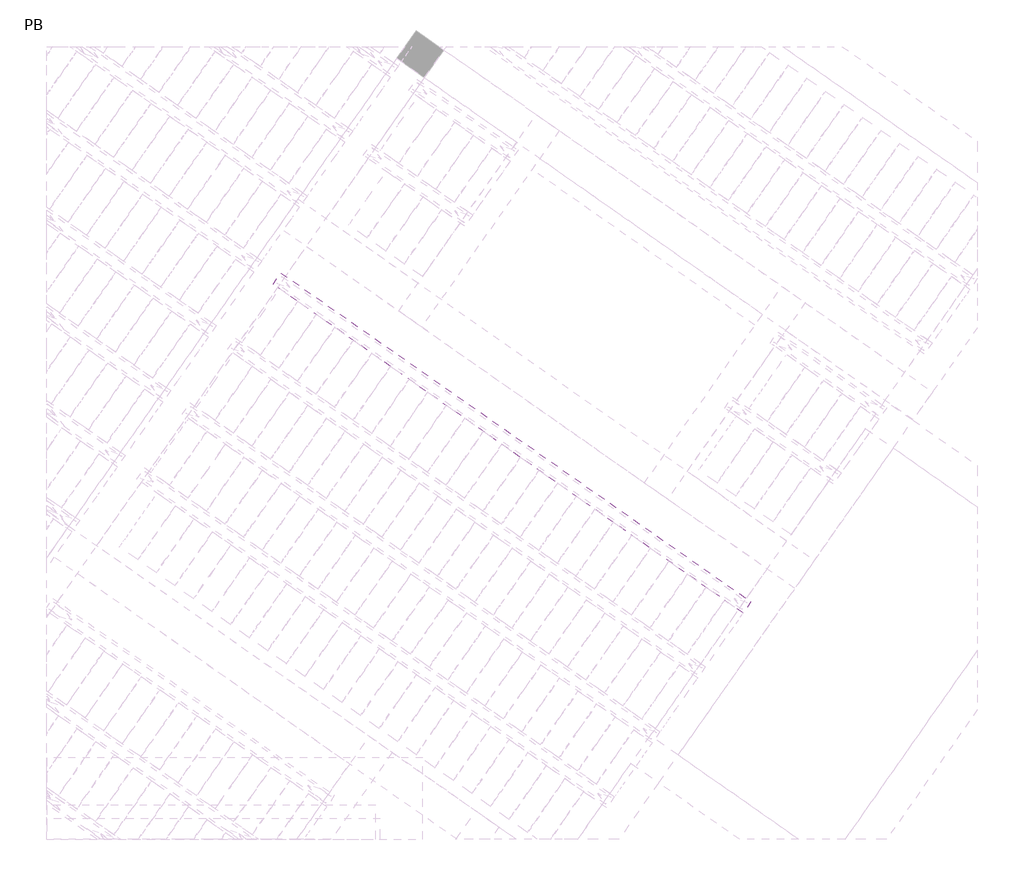
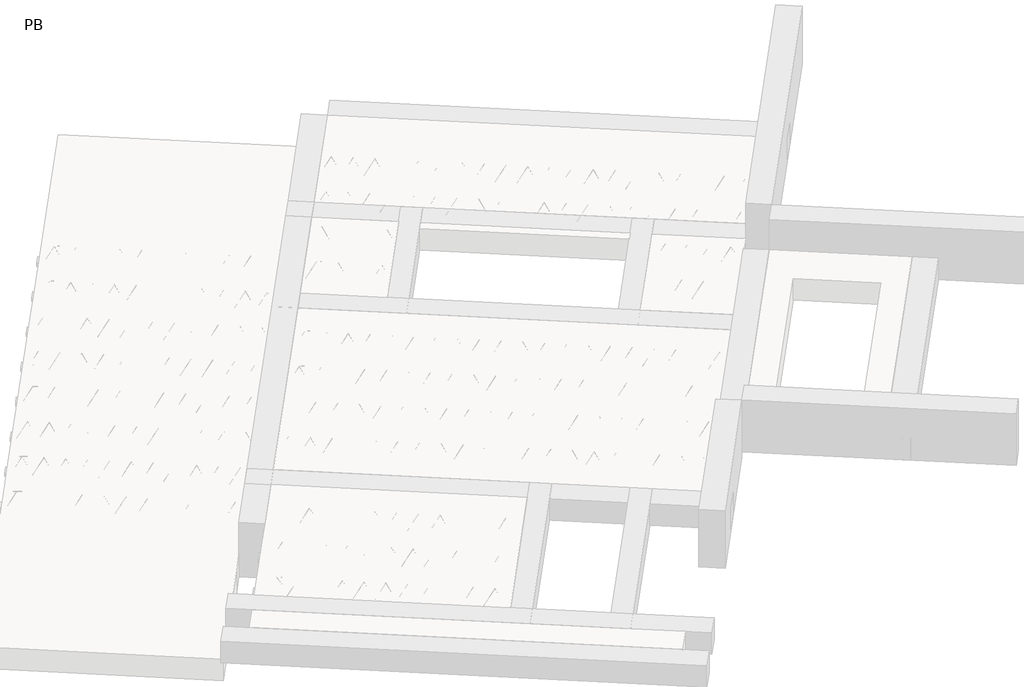
# One storey, part 38 of 56: 1 beam.
"""IFC4 building model written with IfcOpenShell, lengths in millimetres."""

import ifcopenshell
import ifcopenshell.guid

model = None  # the IFC model being written
_history = None  # IfcOwnerHistory: only IFC2X3 demands one
_inside = {}  # id of a spatial element -> (the spatial element, [elements in it])
_under = {}  # id of a project, library or spatial element -> (it, [spatial elements below it])
_declared = {}  # id of a project -> (the project, [libraries it declares])
_typed = {}  # id of a type object -> (the type object, [elements of that type])
_made_of = {}  # id of a material, layer set ... -> (it, [elements and type objects made of it])


def new_model(schema):
    """Start an empty IFC model of exactly this schema.

    Asked for "IFC4X3", IfcOpenShell would pick the latest addendum, in which some entities
    have other attributes; the version numbers below select the first issue.
    IFC2X3 requires an IfcOwnerHistory on every rooted entity: one is made here for all.
    """
    global model, _history
    if schema == "IFC4X3":
        model = ifcopenshell.file(schema_version=(4, 3, 0, 0))
    else:
        model = ifcopenshell.file(schema=schema)
    _inside.clear()
    _under.clear()
    _declared.clear()
    _typed.clear()
    _made_of.clear()
    _history = None
    if model.schema == "IFC2X3":
        org = make("IfcOrganization", Name="unknown")
        user = make(
            "IfcPersonAndOrganization",
            ThePerson=make("IfcPerson", FamilyName="unknown"),
            TheOrganization=org,
        )
        app = make(
            "IfcApplication",
            ApplicationDeveloper=org,
            Version="unknown",
            ApplicationFullName="unknown",
            ApplicationIdentifier="unknown",
        )
        _history = make(
            "IfcOwnerHistory",
            OwningUser=user,
            OwningApplication=app,
            ChangeAction="ADDED",
            CreationDate=0,
        )
    return model


def make(cls, **values):
    """One entity of the class cls with the attributes given. An attribute that is None is left unset."""
    return model.create_entity(
        cls, **{name: value for name, value in values.items() if value is not None}
    )


def rooted(cls, **values):
    """An entity with a GlobalId (a new one), such as an element, a storey or a relation."""
    return make(cls, GlobalId=ifcopenshell.guid.new(), OwnerHistory=_history, **values)


def si_unit(unit_type, name, prefix=None):
    """IfcSIUnit, for example si_unit("LENGTHUNIT", "METRE", prefix="MILLI")."""
    return make("IfcSIUnit", UnitType=unit_type, Prefix=prefix, Name=name)


def assignment(units):
    """IfcUnitAssignment: the units of a project."""
    return None if units is None else make("IfcUnitAssignment", Units=units)


def point(xyz):
    """IfcCartesianPoint."""
    return None if xyz is None else make("IfcCartesianPoint", Coordinates=xyz)


def direction(xyz):
    """IfcDirection."""
    return None if xyz is None else make("IfcDirection", DirectionRatios=xyz)


def frame(location, z_axis=None, x_axis=None):
    """IfcAxis2Placement3D, a coordinate frame: its origin and axes. An axis left out is left unset."""
    return make(
        "IfcAxis2Placement3D",
        Location=point(location),
        Axis=direction(z_axis),
        RefDirection=direction(x_axis),
    )


def frame_2d(location, x_axis=None):
    """IfcAxis2Placement2D, a coordinate frame in the plane: its origin and x axis."""
    return make(
        "IfcAxis2Placement2D", Location=point(location), RefDirection=direction(x_axis)
    )


def origin():
    """The frame at (0, 0, 0) with its axes left unset."""
    return frame((0.0, 0.0, 0.0))


def origin_2d():
    """The frame at (0, 0) in the plane with its x axis left unset."""
    return frame_2d((0.0, 0.0))


def place(relative_to, where):
    """IfcLocalPlacement: puts the frame where relative to a parent placement (None: the world)."""
    return make(
        "IfcLocalPlacement", PlacementRelTo=relative_to, RelativePlacement=where
    )


def context(
    kind, dimensions, precision=None, world=None, true_north=None, identifier=None
):
    """IfcGeometricRepresentationContext, for example the 3D "Model" context."""
    return make(
        "IfcGeometricRepresentationContext",
        ContextIdentifier=identifier,
        ContextType=kind,
        CoordinateSpaceDimension=dimensions,
        Precision=precision,
        WorldCoordinateSystem=world,
        TrueNorth=true_north,
    )


def project(units=None, contexts=None):
    """IfcProject with its units and contexts."""
    return rooted(
        "IfcProject",
        Name="project",
        RepresentationContexts=contexts,
        UnitsInContext=assignment(units),
    )


def spatial(cls, under=None, at=None, **own):
    """A site, building, storey or space (cls), placed at a placement, below another one or the project."""
    s = rooted(cls, ObjectPlacement=at, **own)
    if under is not None:
        _under.setdefault(under.id(), (under, []))[1].append(s)
    return s


def polyline(points):
    """IfcPolyline through the points."""
    return make("IfcPolyline", Points=[point(p) for p in points])


def circle_curve(where, radius):
    """IfcCircle in the frame where."""
    return make("IfcCircle", Position=where, Radius=radius)


def trimmed(basis, trim1, trim2, sense, master):
    """IfcTrimmedCurve: the piece of a basis curve between two trims."""
    return make(
        "IfcTrimmedCurve",
        BasisCurve=basis,
        Trim1=trim1,
        Trim2=trim2,
        SenseAgreement=sense,
        MasterRepresentation=master,
    )


def segment(curve, same_sense, transition):
    """IfcCompositeCurveSegment."""
    return make(
        "IfcCompositeCurveSegment",
        Transition=transition,
        SameSense=same_sense,
        ParentCurve=curve,
    )


def composite_curve(segments, self_intersect=None):
    """IfcCompositeCurve: segments joined end to end."""
    return make("IfcCompositeCurve", Segments=segments, SelfIntersect=self_intersect)


def outline(outer, holes=None, kind="AREA"):
    """IfcArbitraryClosedProfileDef: a profile drawn as a closed curve; with holes, ...WithVoids."""
    if holes is None:
        return make("IfcArbitraryClosedProfileDef", ProfileType=kind, OuterCurve=outer)
    return make(
        "IfcArbitraryProfileDefWithVoids",
        ProfileType=kind,
        OuterCurve=outer,
        InnerCurves=holes,
    )


def extrude(swept, where, along, depth):
    """IfcExtrudedAreaSolid: the profile swept, set in the frame where, extruded along a direction by depth."""
    return make(
        "IfcExtrudedAreaSolid",
        SweptArea=swept,
        Position=where,
        ExtrudedDirection=direction(along),
        Depth=depth,
    )


def shape(context_of_items, identifier, shape_type, items):
    """IfcShapeRepresentation: the items that make up one representation, for example the "Body"."""
    return make(
        "IfcShapeRepresentation",
        ContextOfItems=context_of_items,
        RepresentationIdentifier=identifier,
        RepresentationType=shape_type,
        Items=items,
    )


def made_of(thing, what):
    """Note that an element or type object is made of a material, layer set ...; save() writes the relation."""
    if what is not None:
        _made_of.setdefault(what.id(), (what, []))[1].append(thing)
    return thing


def element(
    cls,
    number,
    at=None,
    inside=None,
    cuts=None,
    type_object=None,
    material=None,
    context=None,
    identifier="Body",
    shape_type=None,
    held_by="IfcProductDefinitionShape",
    body=None,
    shapes=None,
    **own,
):
    """One element of the class cls, such as IfcWall. Its Tag is "e" and its number.

    at: its placement. inside: the storey or other place that contains it. cuts: it is an
    opening in that element (IfcRelVoidsElement). A single representation is given by context,
    identifier, shape_type and body (its items); several are given by shapes. held_by: the class
    of the entity that holds the representations. save() writes the other relations.
    """
    e = rooted(cls, Tag="e%d" % number, ObjectPlacement=at, **own)
    if body is not None:
        shapes = [shape(context, identifier, shape_type, body)]
    if shapes is not None:
        e.Representation = make(held_by, Representations=shapes)
    if inside is not None:
        _inside.setdefault(inside.id(), (inside, []))[1].append(e)
    if cuts is not None:
        rooted(
            "IfcRelVoidsElement", RelatingBuildingElement=cuts, RelatedOpeningElement=e
        )
    if type_object is not None:
        _typed.setdefault(type_object.id(), (type_object, []))[1].append(e)
    return made_of(e, material)


def aggregate(whole, parts):
    """IfcRelAggregates: a whole, such as a stair, and the parts it consists of."""
    return rooted("IfcRelAggregates", RelatingObject=whole, RelatedObjects=parts)


def save(model, path):
    """Write the relations noted so far, then the file.

    IfcRelAggregates (storeys below a building ...), IfcRelContainedInSpatialStructure (elements
    in a storey), IfcRelDefinesByType, IfcRelAssociatesMaterial and IfcRelDeclares: one each for
    every whole, place, type object, material and project.
    """
    for whole, parts in _under.values():
        aggregate(whole, parts)
    for where, things in _inside.values():
        rooted(
            "IfcRelContainedInSpatialStructure",
            RelatedElements=things,
            RelatingStructure=where,
        )
    for kind, things in _typed.values():
        rooted("IfcRelDefinesByType", RelatedObjects=things, RelatingType=kind)
    for what, things in _made_of.values():
        rooted("IfcRelAssociatesMaterial", RelatedObjects=things, RelatingMaterial=what)
    for by, libraries in _declared.values():
        rooted("IfcRelDeclares", RelatingContext=by, RelatedDefinitions=libraries)
    model.write(path)


model = new_model("IFC4")

# Units and contexts
model_context = context("Model", 3, world=origin())
ifc_project = project(units=[si_unit("LENGTHUNIT", "METRE", prefix="MILLI")], contexts=[model_context])

# Site, building, storey
site = spatial("IfcSite", under=ifc_project)
building = spatial("IfcBuilding", under=site)
storey = spatial("IfcBuildingStorey", under=building, Name="PB", Elevation=95940.0)

# Beam
placement = place(None, origin())
element("IfcBeam", 1, at=placement, inside=storey, context=model_context, shape_type="SweptSolid", body=[
    extrude(outline(polyline([(4529.9896109, 5495.9112117), (4598.8187833, 5594.2094571), (8748.2777264, 2688.7270254), (8679.4485541, 2590.4287801), (4529.9896109, 5495.9112117)])), frame((0.0, 0.0, 99220.0), z_axis=(0.0, 0.0, 1.0), x_axis=(1.0, 0.0, 0.0)), (0.0, 0.0, 1.0), 50.0),
    extrude(outline(composite_curve([segment(trimmed(circle_curve(origin_2d(), 2.5), [point((-2.5, 0.0))], [point((2.5, 0.0))], False, "CARTESIAN"), True, "CONTINUOUS"), segment(trimmed(circle_curve(origin_2d(), 2.5), [point((2.5, 0.0))], [point((-2.5, 0.0))], False, "CARTESIAN"), True, "CONTINUOUS")], self_intersect=False)), frame((8673.5547395, 2623.8542636, 99245.0), z_axis=(-0.8191520442696126, 0.5735764363787226, 0.0), x_axis=(0.5735764363787226, 0.8191520442696126, 0.0)), (0.0, 0.0, 1.0), 5017.554035),
    extrude(outline(composite_curve([segment(trimmed(circle_curve(origin_2d(), 2.5), [point((-2.4999999, 0.0))], [point((2.5, 0.0))], False, "CARTESIAN"), True, "CONTINUOUS"), segment(trimmed(circle_curve(origin_2d(), 2.5), [point((2.5, 0.0))], [point((-2.4999999, 0.0))], False, "CARTESIAN"), True, "CONTINUOUS")], self_intersect=False)), frame((8625.5773761, 2701.3962603, 99470.0), z_axis=(-0.8191520442696126, 0.5735764363787226, 0.0), x_axis=(0.5735764363787226, 0.8191520442696126, 0.0)), (0.0, 0.0, 1.0), 4850.0),
    extrude(outline(composite_curve([segment(trimmed(circle_curve(origin_2d(), 2.5), [point((-2.5000001, 0.0))], [point((2.5, 0.0))], False, "CARTESIAN"), True, "CONTINUOUS"), segment(trimmed(circle_curve(origin_2d(), 2.5), [point((2.5, 0.0))], [point((-2.5000001, 0.0))], False, "CARTESIAN"), True, "CONTINUOUS")], self_intersect=False)), frame((8666.3650278, 2628.888554, 99245.0), z_axis=(-0.3145304735701046, 0.38933448886848654, 0.8657304643902053), x_axis=(0.7778747638402499, 0.6284193279813057, 0.0)), (0.0, 0.0, 1.0), 259.8961331),
    extrude(outline(composite_curve([segment(trimmed(circle_curve(origin_2d(), 2.5), [point((2.5000001, 0.0))], [point((-2.5, 0.0))], False, "CARTESIAN"), True, "CONTINUOUS"), segment(trimmed(circle_curve(origin_2d(), 2.5), [point((-2.5, 0.0))], [point((2.5000001, 0.0))], False, "CARTESIAN"), True, "CONTINUOUS")], self_intersect=False)), frame((8461.5770167, 2772.2826631, 99245.0), z_axis=(0.47343050384693375, -0.16240172737369005, 0.8657304643902051), x_axis=(-0.3244721671091268, -0.9458952440791246, 0.0)), (0.0, 0.0, 1.0), 259.8961331),
    extrude(outline(composite_curve([segment(trimmed(circle_curve(origin_2d(), 2.5), [point((-2.5, -1e-07))], [point((2.5, 0.0))], False, "CARTESIAN"), True, "CONTINUOUS"), segment(trimmed(circle_curve(origin_2d(), 2.5), [point((2.5, 0.0))], [point((-2.5, -1e-07))], False, "CARTESIAN"), True, "CONTINUOUS")], self_intersect=False)), frame((8461.5770167, 2772.2826631, 99245.0), z_axis=(-0.3145304735701046, 0.38933448886848654, 0.8657304643902053), x_axis=(0.7778747638402499, 0.6284193279813057, 0.0)), (0.0, 0.0, 1.0), 259.8961331),
    extrude(outline(composite_curve([segment(trimmed(circle_curve(origin_2d(), 2.5), [point((2.5000001, 0.0))], [point((-2.5, 0.0))], False, "CARTESIAN"), True, "CONTINUOUS"), segment(trimmed(circle_curve(origin_2d(), 2.5), [point((-2.5, 0.0))], [point((2.5000001, 0.0))], False, "CARTESIAN"), True, "CONTINUOUS")], self_intersect=False)), frame((8256.7890056, 2915.6767722, 99245.0), z_axis=(0.47343050384693375, -0.16240172737369005, 0.8657304643902051), x_axis=(-0.3244721671091268, -0.9458952440791246, 0.0)), (0.0, 0.0, 1.0), 259.8961331),
    extrude(outline(composite_curve([segment(trimmed(circle_curve(origin_2d(), 2.5), [point((-2.5, -1e-07))], [point((2.5, 0.0))], False, "CARTESIAN"), True, "CONTINUOUS"), segment(trimmed(circle_curve(origin_2d(), 2.5), [point((2.5, 0.0))], [point((-2.5, -1e-07))], False, "CARTESIAN"), True, "CONTINUOUS")], self_intersect=False)), frame((8256.7890056, 2915.6767722, 99245.0), z_axis=(-0.3145304735701046, 0.38933448886848654, 0.8657304643902053), x_axis=(0.7778747638402499, 0.6284193279813057, 0.0)), (0.0, 0.0, 1.0), 259.8961331),
    extrude(outline(composite_curve([segment(trimmed(circle_curve(origin_2d(), 2.5), [point((2.5, 0.0))], [point((-2.5000001, 0.0))], False, "CARTESIAN"), True, "CONTINUOUS"), segment(trimmed(circle_curve(origin_2d(), 2.5), [point((-2.5000001, 0.0))], [point((2.5, 0.0))], False, "CARTESIAN"), True, "CONTINUOUS")], self_intersect=False)), frame((8052.0009945, 3059.0708812, 99245.0), z_axis=(0.47343050384693375, -0.16240172737369005, 0.8657304643902051), x_axis=(-0.3244721671091268, -0.9458952440791246, 0.0)), (0.0, 0.0, 1.0), 259.8961331),
    extrude(outline(composite_curve([segment(trimmed(circle_curve(origin_2d(), 2.5), [point((-2.5, 0.0))], [point((2.5, 1e-07))], False, "CARTESIAN"), True, "CONTINUOUS"), segment(trimmed(circle_curve(origin_2d(), 2.5), [point((2.5, 1e-07))], [point((-2.5, 0.0))], False, "CARTESIAN"), True, "CONTINUOUS")], self_intersect=False)), frame((8052.0009945, 3059.0708812, 99245.0), z_axis=(-0.3145304735701046, 0.38933448886848654, 0.8657304643902053), x_axis=(0.7778747638402499, 0.6284193279813057, 0.0)), (0.0, 0.0, 1.0), 259.8961331),
    extrude(outline(composite_curve([segment(trimmed(circle_curve(origin_2d(), 2.5), [point((2.5, -1e-07))], [point((-2.5000001, 0.0))], False, "CARTESIAN"), True, "CONTINUOUS"), segment(trimmed(circle_curve(origin_2d(), 2.5), [point((-2.5000001, 0.0))], [point((2.5, -1e-07))], False, "CARTESIAN"), True, "CONTINUOUS")], self_intersect=False)), frame((7847.2129835, 3202.4649903, 99245.0), z_axis=(0.47343050384693375, -0.16240172737369005, 0.8657304643902051), x_axis=(-0.3244721671091268, -0.9458952440791246, 0.0)), (0.0, 0.0, 1.0), 259.8961331),
    extrude(outline(composite_curve([segment(trimmed(circle_curve(origin_2d(), 2.5), [point((-2.5, 0.0))], [point((2.5, 0.0))], False, "CARTESIAN"), True, "CONTINUOUS"), segment(trimmed(circle_curve(origin_2d(), 2.5), [point((2.5, 0.0))], [point((-2.5, 0.0))], False, "CARTESIAN"), True, "CONTINUOUS")], self_intersect=False)), frame((7847.2129838, 3202.4649901, 99245.0), z_axis=(-0.3145304735701046, 0.38933448886848654, 0.8657304643902053), x_axis=(0.7778747638402499, 0.6284193279813057, 0.0)), (0.0, 0.0, 1.0), 259.8961331),
    extrude(outline(composite_curve([segment(trimmed(circle_curve(origin_2d(), 2.5), [point((2.5, 0.0))], [point((-2.5, 0.0))], False, "CARTESIAN"), True, "CONTINUOUS"), segment(trimmed(circle_curve(origin_2d(), 2.5), [point((-2.5, 0.0))], [point((2.5, 0.0))], False, "CARTESIAN"), True, "CONTINUOUS")], self_intersect=False)), frame((7642.4249727, 3345.8590992, 99245.0), z_axis=(0.47343050384693375, -0.16240172737369005, 0.8657304643902051), x_axis=(-0.3244721671091268, -0.9458952440791246, 0.0)), (0.0, 0.0, 1.0), 259.8961331),
    extrude(outline(composite_curve([segment(trimmed(circle_curve(origin_2d(), 2.5), [point((-2.5, 0.0))], [point((2.5, 0.0))], False, "CARTESIAN"), True, "CONTINUOUS"), segment(trimmed(circle_curve(origin_2d(), 2.5), [point((2.5, 0.0))], [point((-2.5, 0.0))], False, "CARTESIAN"), True, "CONTINUOUS")], self_intersect=False)), frame((7642.4249727, 3345.8590992, 99245.0), z_axis=(-0.3145304735701046, 0.38933448886848654, 0.8657304643902053), x_axis=(0.7778747638402499, 0.6284193279813057, 0.0)), (0.0, 0.0, 1.0), 259.8961331),
    extrude(outline(composite_curve([segment(trimmed(circle_curve(origin_2d(), 2.5), [point((2.5, -1e-07))], [point((-2.5, 0.0))], False, "CARTESIAN"), True, "CONTINUOUS"), segment(trimmed(circle_curve(origin_2d(), 2.5), [point((-2.5, 0.0))], [point((2.5, -1e-07))], False, "CARTESIAN"), True, "CONTINUOUS")], self_intersect=False)), frame((7437.6369617, 3489.2532083, 99245.0), z_axis=(0.47343050384693375, -0.16240172737369005, 0.8657304643902051), x_axis=(-0.3244721671091268, -0.9458952440791246, 0.0)), (0.0, 0.0, 1.0), 259.8961331),
    extrude(outline(composite_curve([segment(trimmed(circle_curve(origin_2d(), 2.5), [point((-2.5000001, 1e-07))], [point((2.5, 0.0))], False, "CARTESIAN"), True, "CONTINUOUS"), segment(trimmed(circle_curve(origin_2d(), 2.5), [point((2.5, 0.0))], [point((-2.5000001, 1e-07))], False, "CARTESIAN"), True, "CONTINUOUS")], self_intersect=False)), frame((7437.6369617, 3489.2532083, 99245.0), z_axis=(-0.3145304735701046, 0.38933448886848654, 0.8657304643902053), x_axis=(0.7778747638402499, 0.6284193279813057, 0.0)), (0.0, 0.0, 1.0), 259.8961331),
    extrude(outline(composite_curve([segment(trimmed(circle_curve(origin_2d(), 2.5), [point((2.5, 0.0))], [point((-2.5, 0.0))], False, "CARTESIAN"), True, "CONTINUOUS"), segment(trimmed(circle_curve(origin_2d(), 2.5), [point((-2.5, 0.0))], [point((2.5, 0.0))], False, "CARTESIAN"), True, "CONTINUOUS")], self_intersect=False)), frame((7232.8489506, 3632.6473174, 99245.0), z_axis=(0.47343050384693375, -0.16240172737369005, 0.8657304643902051), x_axis=(-0.3244721671091268, -0.9458952440791246, 0.0)), (0.0, 0.0, 1.0), 259.8961331),
    extrude(outline(composite_curve([segment(trimmed(circle_curve(origin_2d(), 2.5), [point((-2.5, 0.0))], [point((2.5, 0.0))], False, "CARTESIAN"), True, "CONTINUOUS"), segment(trimmed(circle_curve(origin_2d(), 2.5), [point((2.5, 0.0))], [point((-2.5, 0.0))], False, "CARTESIAN"), True, "CONTINUOUS")], self_intersect=False)), frame((7232.8489506, 3632.6473174, 99245.0), z_axis=(-0.3145304735701046, 0.38933448886848654, 0.8657304643902053), x_axis=(0.7778747638402499, 0.6284193279813057, 0.0)), (0.0, 0.0, 1.0), 259.8961331),
    extrude(outline(composite_curve([segment(trimmed(circle_curve(origin_2d(), 2.5), [point((2.5, 0.0))], [point((-2.5, 0.0))], False, "CARTESIAN"), True, "CONTINUOUS"), segment(trimmed(circle_curve(origin_2d(), 2.5), [point((-2.5, 0.0))], [point((2.5, 0.0))], False, "CARTESIAN"), True, "CONTINUOUS")], self_intersect=False)), frame((7028.0609395, 3776.0414265, 99245.0), z_axis=(0.47343050384693375, -0.16240172737369005, 0.8657304643902051), x_axis=(-0.3244721671091268, -0.9458952440791246, 0.0)), (0.0, 0.0, 1.0), 259.8961331),
    extrude(outline(composite_curve([segment(trimmed(circle_curve(origin_2d(), 2.5), [point((-2.5, 0.0))], [point((2.5, 0.0))], False, "CARTESIAN"), True, "CONTINUOUS"), segment(trimmed(circle_curve(origin_2d(), 2.5), [point((2.5, 0.0))], [point((-2.5, 0.0))], False, "CARTESIAN"), True, "CONTINUOUS")], self_intersect=False)), frame((7028.0609395, 3776.0414265, 99245.0), z_axis=(-0.3145304735701046, 0.38933448886848654, 0.8657304643902053), x_axis=(0.7778747638402499, 0.6284193279813057, 0.0)), (0.0, 0.0, 1.0), 259.8961331),
    extrude(outline(composite_curve([segment(trimmed(circle_curve(origin_2d(), 2.5), [point((2.5, -1e-07))], [point((-2.5, 0.0))], False, "CARTESIAN"), True, "CONTINUOUS"), segment(trimmed(circle_curve(origin_2d(), 2.5), [point((-2.5, 0.0))], [point((2.5, -1e-07))], False, "CARTESIAN"), True, "CONTINUOUS")], self_intersect=False)), frame((6823.2729285, 3919.4355356, 99245.0), z_axis=(0.47343050384693375, -0.16240172737369005, 0.8657304643902051), x_axis=(-0.3244721671091268, -0.9458952440791246, 0.0)), (0.0, 0.0, 1.0), 259.8961331),
    extrude(outline(composite_curve([segment(trimmed(circle_curve(origin_2d(), 2.5), [point((-2.5000001, 1e-07))], [point((2.5, 0.0))], False, "CARTESIAN"), True, "CONTINUOUS"), segment(trimmed(circle_curve(origin_2d(), 2.5), [point((2.5, 0.0))], [point((-2.5000001, 1e-07))], False, "CARTESIAN"), True, "CONTINUOUS")], self_intersect=False)), frame((6823.2729285, 3919.4355356, 99245.0), z_axis=(-0.3145304735701046, 0.38933448886848654, 0.8657304643902053), x_axis=(0.7778747638402499, 0.6284193279813057, 0.0)), (0.0, 0.0, 1.0), 259.8961331),
    extrude(outline(composite_curve([segment(trimmed(circle_curve(origin_2d(), 2.5), [point((2.5, 0.0))], [point((-2.5, 0.0))], False, "CARTESIAN"), True, "CONTINUOUS"), segment(trimmed(circle_curve(origin_2d(), 2.5), [point((-2.5, 0.0))], [point((2.5, 0.0))], False, "CARTESIAN"), True, "CONTINUOUS")], self_intersect=False)), frame((6618.4849174, 4062.8296447, 99245.0), z_axis=(0.47343050384693375, -0.16240172737369005, 0.8657304643902051), x_axis=(-0.3244721671091268, -0.9458952440791246, 0.0)), (0.0, 0.0, 1.0), 259.8961331),
    extrude(outline(composite_curve([segment(trimmed(circle_curve(origin_2d(), 2.5), [point((-2.5, 0.0))], [point((2.5, 0.0))], False, "CARTESIAN"), True, "CONTINUOUS"), segment(trimmed(circle_curve(origin_2d(), 2.5), [point((2.5, 0.0))], [point((-2.5, 0.0))], False, "CARTESIAN"), True, "CONTINUOUS")], self_intersect=False)), frame((6618.4849174, 4062.8296447, 99245.0), z_axis=(-0.3145304735701046, 0.38933448886848654, 0.8657304643902053), x_axis=(0.7778747638402499, 0.6284193279813057, 0.0)), (0.0, 0.0, 1.0), 259.8961331),
    extrude(outline(composite_curve([segment(trimmed(circle_curve(origin_2d(), 2.5), [point((2.5, 0.0))], [point((-2.5, 0.0))], False, "CARTESIAN"), True, "CONTINUOUS"), segment(trimmed(circle_curve(origin_2d(), 2.5), [point((-2.5, 0.0))], [point((2.5, 0.0))], False, "CARTESIAN"), True, "CONTINUOUS")], self_intersect=False)), frame((6413.6969063, 4206.2237538, 99245.0), z_axis=(0.47343050384693375, -0.16240172737369005, 0.8657304643902051), x_axis=(-0.3244721671091268, -0.9458952440791246, 0.0)), (0.0, 0.0, 1.0), 259.8961331),
    extrude(outline(composite_curve([segment(trimmed(circle_curve(origin_2d(), 2.5), [point((-2.5, 0.0))], [point((2.5, 0.0))], False, "CARTESIAN"), True, "CONTINUOUS"), segment(trimmed(circle_curve(origin_2d(), 2.5), [point((2.5, 0.0))], [point((-2.5, 0.0))], False, "CARTESIAN"), True, "CONTINUOUS")], self_intersect=False)), frame((6413.6969063, 4206.2237538, 99245.0), z_axis=(-0.3145304735701046, 0.38933448886848654, 0.8657304643902053), x_axis=(0.7778747638402499, 0.6284193279813057, 0.0)), (0.0, 0.0, 1.0), 259.8961331),
    extrude(outline(composite_curve([segment(trimmed(circle_curve(origin_2d(), 2.5), [point((2.5, -1e-07))], [point((-2.5, 0.0))], False, "CARTESIAN"), True, "CONTINUOUS"), segment(trimmed(circle_curve(origin_2d(), 2.5), [point((-2.5, 0.0))], [point((2.5, -1e-07))], False, "CARTESIAN"), True, "CONTINUOUS")], self_intersect=False)), frame((6208.9088953, 4349.6178629, 99245.0), z_axis=(0.47343050384693375, -0.16240172737369005, 0.8657304643902051), x_axis=(-0.3244721671091268, -0.9458952440791246, 0.0)), (0.0, 0.0, 1.0), 259.8961331),
    extrude(outline(composite_curve([segment(trimmed(circle_curve(origin_2d(), 2.5), [point((-2.5000001, 1e-07))], [point((2.5, 0.0))], False, "CARTESIAN"), True, "CONTINUOUS"), segment(trimmed(circle_curve(origin_2d(), 2.5), [point((2.5, 0.0))], [point((-2.5000001, 1e-07))], False, "CARTESIAN"), True, "CONTINUOUS")], self_intersect=False)), frame((6208.9088953, 4349.6178629, 99245.0), z_axis=(-0.3145304735701046, 0.38933448886848654, 0.8657304643902053), x_axis=(0.7778747638402499, 0.6284193279813057, 0.0)), (0.0, 0.0, 1.0), 259.8961331),
    extrude(outline(composite_curve([segment(trimmed(circle_curve(origin_2d(), 2.5), [point((2.5, 0.0))], [point((-2.5, 0.0))], False, "CARTESIAN"), True, "CONTINUOUS"), segment(trimmed(circle_curve(origin_2d(), 2.5), [point((-2.5, 0.0))], [point((2.5, 0.0))], False, "CARTESIAN"), True, "CONTINUOUS")], self_intersect=False)), frame((6004.1208842, 4493.011972, 99245.0), z_axis=(0.47343050384693375, -0.16240172737369005, 0.8657304643902051), x_axis=(-0.3244721671091268, -0.9458952440791246, 0.0)), (0.0, 0.0, 1.0), 259.8961331),
    extrude(outline(composite_curve([segment(trimmed(circle_curve(origin_2d(), 2.5), [point((-2.5, -1e-07))], [point((2.5, 0.0))], False, "CARTESIAN"), True, "CONTINUOUS"), segment(trimmed(circle_curve(origin_2d(), 2.5), [point((2.5, 0.0))], [point((-2.5, -1e-07))], False, "CARTESIAN"), True, "CONTINUOUS")], self_intersect=False)), frame((6004.1208842, 4493.011972, 99245.0), z_axis=(-0.3145304735701046, 0.38933448886848654, 0.8657304643902053), x_axis=(0.7778747638402499, 0.6284193279813057, 0.0)), (0.0, 0.0, 1.0), 259.8961331),
    extrude(outline(composite_curve([segment(trimmed(circle_curve(origin_2d(), 2.5), [point((2.5, 0.0))], [point((-2.5, 0.0))], False, "CARTESIAN"), True, "CONTINUOUS"), segment(trimmed(circle_curve(origin_2d(), 2.5), [point((-2.5, 0.0))], [point((2.5, 0.0))], False, "CARTESIAN"), True, "CONTINUOUS")], self_intersect=False)), frame((5799.3328731, 4636.4060811, 99245.0), z_axis=(0.47343050384693375, -0.16240172737369005, 0.8657304643902051), x_axis=(-0.3244721671091268, -0.9458952440791246, 0.0)), (0.0, 0.0, 1.0), 259.8961331),
    extrude(outline(composite_curve([segment(trimmed(circle_curve(origin_2d(), 2.5), [point((-2.5, -1e-07))], [point((2.5, 0.0))], False, "CARTESIAN"), True, "CONTINUOUS"), segment(trimmed(circle_curve(origin_2d(), 2.5), [point((2.5, 0.0))], [point((-2.5, -1e-07))], False, "CARTESIAN"), True, "CONTINUOUS")], self_intersect=False)), frame((5799.3328731, 4636.4060811, 99245.0), z_axis=(-0.3145304735701046, 0.38933448886848654, 0.8657304643902053), x_axis=(0.7778747638402499, 0.6284193279813057, 0.0)), (0.0, 0.0, 1.0), 259.8961331),
    extrude(outline(composite_curve([segment(trimmed(circle_curve(origin_2d(), 2.5), [point((2.5000001, 0.0))], [point((-2.5, 0.0))], False, "CARTESIAN"), True, "CONTINUOUS"), segment(trimmed(circle_curve(origin_2d(), 2.5), [point((-2.5, 0.0))], [point((2.5000001, 0.0))], False, "CARTESIAN"), True, "CONTINUOUS")], self_intersect=False)), frame((5594.5448621, 4779.8001902, 99245.0), z_axis=(0.47343050384693375, -0.16240172737369005, 0.8657304643902051), x_axis=(-0.3244721671091268, -0.9458952440791246, 0.0)), (0.0, 0.0, 1.0), 259.8961331),
    extrude(outline(composite_curve([segment(trimmed(circle_curve(origin_2d(), 2.5), [point((-2.5000001, 0.0))], [point((2.5, 0.0))], False, "CARTESIAN"), True, "CONTINUOUS"), segment(trimmed(circle_curve(origin_2d(), 2.5), [point((2.5, 0.0))], [point((-2.5000001, 0.0))], False, "CARTESIAN"), True, "CONTINUOUS")], self_intersect=False)), frame((5594.5448621, 4779.8001902, 99245.0), z_axis=(-0.3145304735701046, 0.38933448886848654, 0.8657304643902053), x_axis=(0.7778747638402499, 0.6284193279813057, 0.0)), (0.0, 0.0, 1.0), 259.8961331),
    extrude(outline(composite_curve([segment(trimmed(circle_curve(origin_2d(), 2.5), [point((2.5, 0.0))], [point((-2.5000001, 0.0))], False, "CARTESIAN"), True, "CONTINUOUS"), segment(trimmed(circle_curve(origin_2d(), 2.5), [point((-2.5000001, 0.0))], [point((2.5, 0.0))], False, "CARTESIAN"), True, "CONTINUOUS")], self_intersect=False)), frame((5389.756851, 4923.1942992, 99245.0), z_axis=(0.47343050384693375, -0.16240172737369005, 0.8657304643902051), x_axis=(-0.3244721671091268, -0.9458952440791246, 0.0)), (0.0, 0.0, 1.0), 259.8961331),
    extrude(outline(composite_curve([segment(trimmed(circle_curve(origin_2d(), 2.5), [point((-2.5, -1e-07))], [point((2.5, 0.0))], False, "CARTESIAN"), True, "CONTINUOUS"), segment(trimmed(circle_curve(origin_2d(), 2.5), [point((2.5, 0.0))], [point((-2.5, -1e-07))], False, "CARTESIAN"), True, "CONTINUOUS")], self_intersect=False)), frame((5389.756851, 4923.1942993, 99245.0), z_axis=(-0.3145304735701046, 0.38933448886848654, 0.8657304643902053), x_axis=(0.7778747638402499, 0.6284193279813057, 0.0)), (0.0, 0.0, 1.0), 259.8961331),
    extrude(outline(composite_curve([segment(trimmed(circle_curve(origin_2d(), 2.5), [point((2.5, 0.0))], [point((-2.5000001, 0.0))], False, "CARTESIAN"), True, "CONTINUOUS"), segment(trimmed(circle_curve(origin_2d(), 2.5), [point((-2.5000001, 0.0))], [point((2.5, 0.0))], False, "CARTESIAN"), True, "CONTINUOUS")], self_intersect=False)), frame((5184.9688399, 5066.5884083, 99245.0), z_axis=(0.47343050384693375, -0.16240172737369005, 0.8657304643902051), x_axis=(-0.3244721671091268, -0.9458952440791246, 0.0)), (0.0, 0.0, 1.0), 259.8961331),
    extrude(outline(composite_curve([segment(trimmed(circle_curve(origin_2d(), 2.5), [point((-2.5, 0.0))], [point((2.5, 1e-07))], False, "CARTESIAN"), True, "CONTINUOUS"), segment(trimmed(circle_curve(origin_2d(), 2.5), [point((2.5, 1e-07))], [point((-2.5, 0.0))], False, "CARTESIAN"), True, "CONTINUOUS")], self_intersect=False)), frame((5184.9688399, 5066.5884083, 99245.0), z_axis=(-0.3145304735701046, 0.38933448886848654, 0.8657304643902053), x_axis=(0.7778747638402499, 0.6284193279813057, 0.0)), (0.0, 0.0, 1.0), 259.8961331),
    extrude(outline(composite_curve([segment(trimmed(circle_curve(origin_2d(), 2.5), [point((2.5, -1e-07))], [point((-2.5, 0.0))], False, "CARTESIAN"), True, "CONTINUOUS"), segment(trimmed(circle_curve(origin_2d(), 2.5), [point((-2.5, 0.0))], [point((2.5, -1e-07))], False, "CARTESIAN"), True, "CONTINUOUS")], self_intersect=False)), frame((4980.1808289, 5209.9825174, 99245.0), z_axis=(0.47343050384693375, -0.16240172737369005, 0.8657304643902051), x_axis=(-0.3244721671091268, -0.9458952440791246, 0.0)), (0.0, 0.0, 1.0), 259.8961331),
    extrude(outline(composite_curve([segment(trimmed(circle_curve(origin_2d(), 2.5), [point((-2.5, 0.0))], [point((2.5000001, 0.0))], False, "CARTESIAN"), True, "CONTINUOUS"), segment(trimmed(circle_curve(origin_2d(), 2.5), [point((2.5000001, 0.0))], [point((-2.5, 0.0))], False, "CARTESIAN"), True, "CONTINUOUS")], self_intersect=False)), frame((4980.1808288, 5209.9825174, 99245.0), z_axis=(-0.3145304735701046, 0.38933448886848654, 0.8657304643902053), x_axis=(0.7778747638402499, 0.6284193279813057, 0.0)), (0.0, 0.0, 1.0), 259.8961331),
    extrude(outline(composite_curve([segment(trimmed(circle_curve(origin_2d(), 2.5), [point((2.5, 0.0))], [point((-2.5, 0.0))], False, "CARTESIAN"), True, "CONTINUOUS"), segment(trimmed(circle_curve(origin_2d(), 2.5), [point((-2.5, 0.0))], [point((2.5, 0.0))], False, "CARTESIAN"), True, "CONTINUOUS")], self_intersect=False)), frame((4775.3928178, 5353.3766265, 99245.0), z_axis=(0.47343050384693375, -0.16240172737369005, 0.8657304643902051), x_axis=(-0.3244721671091268, -0.9458952440791246, 0.0)), (0.0, 0.0, 1.0), 259.8961331),
    extrude(outline(composite_curve([segment(trimmed(circle_curve(origin_2d(), 2.5), [point((-2.5, 0.0))], [point((2.5, 1e-07))], False, "CARTESIAN"), True, "CONTINUOUS"), segment(trimmed(circle_curve(origin_2d(), 2.5), [point((2.5, 1e-07))], [point((-2.5, 0.0))], False, "CARTESIAN"), True, "CONTINUOUS")], self_intersect=False)), frame((4775.3928178, 5353.3766265, 99245.0), z_axis=(-0.3145304735701046, 0.38933448886848654, 0.8657304643902053), x_axis=(0.7778747638402499, 0.6284193279813057, 0.0)), (0.0, 0.0, 1.0), 259.8961331),
    extrude(outline(composite_curve([segment(trimmed(circle_curve(origin_2d(), 2.5), [point((2.5, 0.0))], [point((-2.5, 0.0))], False, "CARTESIAN"), True, "CONTINUOUS"), segment(trimmed(circle_curve(origin_2d(), 2.5), [point((-2.5, 0.0))], [point((2.5, 0.0))], False, "CARTESIAN"), True, "CONTINUOUS")], self_intersect=False)), frame((4570.6048067, 5496.7707356, 99245.0), z_axis=(0.47343050384693375, -0.16240172737369005, 0.8657304643902051), x_axis=(-0.3244721671091268, -0.9458952440791246, 0.0)), (0.0, 0.0, 1.0), 259.8961331),
    extrude(outline(composite_curve([segment(trimmed(circle_curve(origin_2d(), 2.5), [point((-2.5, 0.0))], [point((2.5, 0.0))], False, "CARTESIAN"), True, "CONTINUOUS"), segment(trimmed(circle_curve(origin_2d(), 2.5), [point((2.5, 0.0))], [point((-2.5, 0.0))], False, "CARTESIAN"), True, "CONTINUOUS")], self_intersect=False)), frame((8714.8522429, 2682.8332108, 99245.0), z_axis=(-0.8191520442696126, 0.5735764363787226, 0.0), x_axis=(0.5735764363787226, 0.8191520442696126, 0.0)), (0.0, 0.0, 1.0), 5017.554035),
    extrude(outline(composite_curve([segment(trimmed(circle_curve(origin_2d(), 2.5), [point((-2.5, 0.0))], [point((2.5, 0.0))], False, "CARTESIAN"), True, "CONTINUOUS"), segment(trimmed(circle_curve(origin_2d(), 2.5), [point((2.5, 0.0))], [point((-2.5, 0.0))], False, "CARTESIAN"), True, "CONTINUOUS")], self_intersect=False)), frame((8707.6625312, 2687.8675011, 99245.0), z_axis=(-0.47343050384693375, 0.16240172737369005, 0.8657304643902051), x_axis=(0.3244721671091268, 0.9458952440791246, 0.0)), (0.0, 0.0, 1.0), 259.8961331),
    extrude(outline(composite_curve([segment(trimmed(circle_curve(origin_2d(), 2.5), [point((2.5, 0.0))], [point((-2.5, -1e-07))], False, "CARTESIAN"), True, "CONTINUOUS"), segment(trimmed(circle_curve(origin_2d(), 2.5), [point((-2.5, -1e-07))], [point((2.5, 0.0))], False, "CARTESIAN"), True, "CONTINUOUS")], self_intersect=False)), frame((8502.8745201, 2831.2616102, 99245.0), z_axis=(0.3145304735701046, -0.38933448886848654, 0.8657304643902053), x_axis=(-0.7778747638402499, -0.6284193279813057, 0.0)), (0.0, 0.0, 1.0), 259.8961331),
    extrude(outline(composite_curve([segment(trimmed(circle_curve(origin_2d(), 2.5), [point((-2.5, 0.0))], [point((2.5000001, 0.0))], False, "CARTESIAN"), True, "CONTINUOUS"), segment(trimmed(circle_curve(origin_2d(), 2.5), [point((2.5000001, 0.0))], [point((-2.5, 0.0))], False, "CARTESIAN"), True, "CONTINUOUS")], self_intersect=False)), frame((8502.8745201, 2831.2616102, 99245.0), z_axis=(-0.47343050384693375, 0.16240172737369005, 0.8657304643902051), x_axis=(0.3244721671091268, 0.9458952440791246, 0.0)), (0.0, 0.0, 1.0), 259.8961331),
    extrude(outline(composite_curve([segment(trimmed(circle_curve(origin_2d(), 2.5), [point((2.5, 0.0))], [point((-2.5, -1e-07))], False, "CARTESIAN"), True, "CONTINUOUS"), segment(trimmed(circle_curve(origin_2d(), 2.5), [point((-2.5, -1e-07))], [point((2.5, 0.0))], False, "CARTESIAN"), True, "CONTINUOUS")], self_intersect=False)), frame((8298.086509, 2974.6557193, 99245.0), z_axis=(0.3145304735701046, -0.38933448886848654, 0.8657304643902053), x_axis=(-0.7778747638402499, -0.6284193279813057, 0.0)), (0.0, 0.0, 1.0), 259.8961331),
    extrude(outline(composite_curve([segment(trimmed(circle_curve(origin_2d(), 2.5), [point((-2.5, 0.0))], [point((2.5000001, 0.0))], False, "CARTESIAN"), True, "CONTINUOUS"), segment(trimmed(circle_curve(origin_2d(), 2.5), [point((2.5000001, 0.0))], [point((-2.5, 0.0))], False, "CARTESIAN"), True, "CONTINUOUS")], self_intersect=False)), frame((8298.086509, 2974.6557193, 99245.0), z_axis=(-0.47343050384693375, 0.16240172737369005, 0.8657304643902051), x_axis=(0.3244721671091268, 0.9458952440791246, 0.0)), (0.0, 0.0, 1.0), 259.8961331),
    extrude(outline(composite_curve([segment(trimmed(circle_curve(origin_2d(), 2.5), [point((2.5000001, -1e-07))], [point((-2.5, -1e-07))], False, "CARTESIAN"), True, "CONTINUOUS"), segment(trimmed(circle_curve(origin_2d(), 2.5), [point((-2.5, -1e-07))], [point((2.5000001, -1e-07))], False, "CARTESIAN"), True, "CONTINUOUS")], self_intersect=False)), frame((8093.298498, 3118.0498284, 99245.0), z_axis=(0.3145304735701046, -0.38933448886848654, 0.8657304643902053), x_axis=(-0.7778747638402499, -0.6284193279813057, 0.0)), (0.0, 0.0, 1.0), 259.8961331),
    extrude(outline(composite_curve([segment(trimmed(circle_curve(origin_2d(), 2.5), [point((-2.5, 1e-07))], [point((2.5, 0.0))], False, "CARTESIAN"), True, "CONTINUOUS"), segment(trimmed(circle_curve(origin_2d(), 2.5), [point((2.5, 0.0))], [point((-2.5, 1e-07))], False, "CARTESIAN"), True, "CONTINUOUS")], self_intersect=False)), frame((8093.298498, 3118.0498284, 99245.0), z_axis=(-0.47343050384693375, 0.16240172737369005, 0.8657304643902051), x_axis=(0.3244721671091268, 0.9458952440791246, 0.0)), (0.0, 0.0, 1.0), 259.8961331),
    extrude(outline(composite_curve([segment(trimmed(circle_curve(origin_2d(), 2.5), [point((2.5, 0.0))], [point((-2.5, 0.0))], False, "CARTESIAN"), True, "CONTINUOUS"), segment(trimmed(circle_curve(origin_2d(), 2.5), [point((-2.5, 0.0))], [point((2.5, 0.0))], False, "CARTESIAN"), True, "CONTINUOUS")], self_intersect=False)), frame((7888.5104869, 3261.4439375, 99245.0), z_axis=(0.3145304735701046, -0.38933448886848654, 0.8657304643902053), x_axis=(-0.7778747638402499, -0.6284193279813057, 0.0)), (0.0, 0.0, 1.0), 259.8961331),
    extrude(outline(composite_curve([segment(trimmed(circle_curve(origin_2d(), 2.5), [point((-2.5, 0.0))], [point((2.5, 0.0))], False, "CARTESIAN"), True, "CONTINUOUS"), segment(trimmed(circle_curve(origin_2d(), 2.5), [point((2.5, 0.0))], [point((-2.5, 0.0))], False, "CARTESIAN"), True, "CONTINUOUS")], self_intersect=False)), frame((7888.5104872, 3261.4439373, 99245.0), z_axis=(-0.47343050384693375, 0.16240172737369005, 0.8657304643902051), x_axis=(0.3244721671091268, 0.9458952440791246, 0.0)), (0.0, 0.0, 1.0), 259.8961331),
    extrude(outline(composite_curve([segment(trimmed(circle_curve(origin_2d(), 2.5), [point((2.5, 0.0))], [point((-2.5000001, 1e-07))], False, "CARTESIAN"), True, "CONTINUOUS"), segment(trimmed(circle_curve(origin_2d(), 2.5), [point((-2.5000001, 1e-07))], [point((2.5, 0.0))], False, "CARTESIAN"), True, "CONTINUOUS")], self_intersect=False)), frame((7683.7224761, 3404.8380464, 99245.0), z_axis=(0.3145304735701046, -0.38933448886848654, 0.8657304643902053), x_axis=(-0.7778747638402499, -0.6284193279813057, 0.0)), (0.0, 0.0, 1.0), 259.8961331),
    extrude(outline(composite_curve([segment(trimmed(circle_curve(origin_2d(), 2.5), [point((-2.5, 0.0))], [point((2.5, -1e-07))], False, "CARTESIAN"), True, "CONTINUOUS"), segment(trimmed(circle_curve(origin_2d(), 2.5), [point((2.5, -1e-07))], [point((-2.5, 0.0))], False, "CARTESIAN"), True, "CONTINUOUS")], self_intersect=False)), frame((7683.7224761, 3404.8380464, 99245.0), z_axis=(-0.47343050384693375, 0.16240172737369005, 0.8657304643902051), x_axis=(0.3244721671091268, 0.9458952440791246, 0.0)), (0.0, 0.0, 1.0), 259.8961331),
    extrude(outline(composite_curve([segment(trimmed(circle_curve(origin_2d(), 2.5), [point((2.5, 0.0))], [point((-2.5, 0.0))], False, "CARTESIAN"), True, "CONTINUOUS"), segment(trimmed(circle_curve(origin_2d(), 2.5), [point((-2.5, 0.0))], [point((2.5, 0.0))], False, "CARTESIAN"), True, "CONTINUOUS")], self_intersect=False)), frame((7478.9344651, 3548.2321555, 99245.0), z_axis=(0.3145304735701046, -0.38933448886848654, 0.8657304643902053), x_axis=(-0.7778747638402499, -0.6284193279813057, 0.0)), (0.0, 0.0, 1.0), 259.8961331),
    extrude(outline(composite_curve([segment(trimmed(circle_curve(origin_2d(), 2.5), [point((-2.5, 0.0))], [point((2.5, 0.0))], False, "CARTESIAN"), True, "CONTINUOUS"), segment(trimmed(circle_curve(origin_2d(), 2.5), [point((2.5, 0.0))], [point((-2.5, 0.0))], False, "CARTESIAN"), True, "CONTINUOUS")], self_intersect=False)), frame((7478.9344651, 3548.2321555, 99245.0), z_axis=(-0.47343050384693375, 0.16240172737369005, 0.8657304643902051), x_axis=(0.3244721671091268, 0.9458952440791246, 0.0)), (0.0, 0.0, 1.0), 259.8961331),
    extrude(outline(composite_curve([segment(trimmed(circle_curve(origin_2d(), 2.5), [point((2.5, 0.0))], [point((-2.5, 0.0))], False, "CARTESIAN"), True, "CONTINUOUS"), segment(trimmed(circle_curve(origin_2d(), 2.5), [point((-2.5, 0.0))], [point((2.5, 0.0))], False, "CARTESIAN"), True, "CONTINUOUS")], self_intersect=False)), frame((7274.146454, 3691.6262646, 99245.0), z_axis=(0.3145304735701046, -0.38933448886848654, 0.8657304643902053), x_axis=(-0.7778747638402499, -0.6284193279813057, 0.0)), (0.0, 0.0, 1.0), 259.8961331),
    extrude(outline(composite_curve([segment(trimmed(circle_curve(origin_2d(), 2.5), [point((-2.5, 0.0))], [point((2.5, 0.0))], False, "CARTESIAN"), True, "CONTINUOUS"), segment(trimmed(circle_curve(origin_2d(), 2.5), [point((2.5, 0.0))], [point((-2.5, 0.0))], False, "CARTESIAN"), True, "CONTINUOUS")], self_intersect=False)), frame((7274.146454, 3691.6262646, 99245.0), z_axis=(-0.47343050384693375, 0.16240172737369005, 0.8657304643902051), x_axis=(0.3244721671091268, 0.9458952440791246, 0.0)), (0.0, 0.0, 1.0), 259.8961331),
    extrude(outline(composite_curve([segment(trimmed(circle_curve(origin_2d(), 2.5), [point((2.5, 0.0))], [point((-2.5000001, 1e-07))], False, "CARTESIAN"), True, "CONTINUOUS"), segment(trimmed(circle_curve(origin_2d(), 2.5), [point((-2.5000001, 1e-07))], [point((2.5, 0.0))], False, "CARTESIAN"), True, "CONTINUOUS")], self_intersect=False)), frame((7069.3584429, 3835.0203737, 99245.0), z_axis=(0.3145304735701046, -0.38933448886848654, 0.8657304643902053), x_axis=(-0.7778747638402499, -0.6284193279813057, 0.0)), (0.0, 0.0, 1.0), 259.8961331),
    extrude(outline(composite_curve([segment(trimmed(circle_curve(origin_2d(), 2.5), [point((-2.5, 0.0))], [point((2.5, -1e-07))], False, "CARTESIAN"), True, "CONTINUOUS"), segment(trimmed(circle_curve(origin_2d(), 2.5), [point((2.5, -1e-07))], [point((-2.5, 0.0))], False, "CARTESIAN"), True, "CONTINUOUS")], self_intersect=False)), frame((7069.3584429, 3835.0203737, 99245.0), z_axis=(-0.47343050384693375, 0.16240172737369005, 0.8657304643902051), x_axis=(0.3244721671091268, 0.9458952440791246, 0.0)), (0.0, 0.0, 1.0), 259.8961331),
    extrude(outline(composite_curve([segment(trimmed(circle_curve(origin_2d(), 2.5), [point((2.5, 0.0))], [point((-2.5, 0.0))], False, "CARTESIAN"), True, "CONTINUOUS"), segment(trimmed(circle_curve(origin_2d(), 2.5), [point((-2.5, 0.0))], [point((2.5, 0.0))], False, "CARTESIAN"), True, "CONTINUOUS")], self_intersect=False)), frame((6864.5704319, 3978.4144828, 99245.0), z_axis=(0.3145304735701046, -0.38933448886848654, 0.8657304643902053), x_axis=(-0.7778747638402499, -0.6284193279813057, 0.0)), (0.0, 0.0, 1.0), 259.8961331),
    extrude(outline(composite_curve([segment(trimmed(circle_curve(origin_2d(), 2.5), [point((-2.5, 0.0))], [point((2.5, 0.0))], False, "CARTESIAN"), True, "CONTINUOUS"), segment(trimmed(circle_curve(origin_2d(), 2.5), [point((2.5, 0.0))], [point((-2.5, 0.0))], False, "CARTESIAN"), True, "CONTINUOUS")], self_intersect=False)), frame((6864.5704319, 3978.4144828, 99245.0), z_axis=(-0.47343050384693375, 0.16240172737369005, 0.8657304643902051), x_axis=(0.3244721671091268, 0.9458952440791246, 0.0)), (0.0, 0.0, 1.0), 259.8961331),
    extrude(outline(composite_curve([segment(trimmed(circle_curve(origin_2d(), 2.5), [point((2.5, 1e-07))], [point((-2.5, 0.0))], False, "CARTESIAN"), True, "CONTINUOUS"), segment(trimmed(circle_curve(origin_2d(), 2.5), [point((-2.5, 0.0))], [point((2.5, 1e-07))], False, "CARTESIAN"), True, "CONTINUOUS")], self_intersect=False)), frame((6659.7824208, 4121.8085919, 99245.0), z_axis=(0.3145304735701046, -0.38933448886848654, 0.8657304643902053), x_axis=(-0.7778747638402499, -0.6284193279813057, 0.0)), (0.0, 0.0, 1.0), 259.8961331),
    extrude(outline(composite_curve([segment(trimmed(circle_curve(origin_2d(), 2.5), [point((-2.5, 0.0))], [point((2.5, 0.0))], False, "CARTESIAN"), True, "CONTINUOUS"), segment(trimmed(circle_curve(origin_2d(), 2.5), [point((2.5, 0.0))], [point((-2.5, 0.0))], False, "CARTESIAN"), True, "CONTINUOUS")], self_intersect=False)), frame((6659.7824208, 4121.8085919, 99245.0), z_axis=(-0.47343050384693375, 0.16240172737369005, 0.8657304643902051), x_axis=(0.3244721671091268, 0.9458952440791246, 0.0)), (0.0, 0.0, 1.0), 259.8961331),
    extrude(outline(composite_curve([segment(trimmed(circle_curve(origin_2d(), 2.5), [point((2.5, 1e-07))], [point((-2.5000001, 1e-07))], False, "CARTESIAN"), True, "CONTINUOUS"), segment(trimmed(circle_curve(origin_2d(), 2.5), [point((-2.5000001, 1e-07))], [point((2.5, 1e-07))], False, "CARTESIAN"), True, "CONTINUOUS")], self_intersect=False)), frame((6454.9944097, 4265.202701, 99245.0), z_axis=(0.3145304735701046, -0.38933448886848654, 0.8657304643902053), x_axis=(-0.7778747638402499, -0.6284193279813057, 0.0)), (0.0, 0.0, 1.0), 259.8961331),
    extrude(outline(composite_curve([segment(trimmed(circle_curve(origin_2d(), 2.5), [point((-2.5, 0.0))], [point((2.5, -1e-07))], False, "CARTESIAN"), True, "CONTINUOUS"), segment(trimmed(circle_curve(origin_2d(), 2.5), [point((2.5, -1e-07))], [point((-2.5, 0.0))], False, "CARTESIAN"), True, "CONTINUOUS")], self_intersect=False)), frame((6454.9944097, 4265.202701, 99245.0), z_axis=(-0.47343050384693375, 0.16240172737369005, 0.8657304643902051), x_axis=(0.3244721671091268, 0.9458952440791246, 0.0)), (0.0, 0.0, 1.0), 259.8961331),
    extrude(outline(composite_curve([segment(trimmed(circle_curve(origin_2d(), 2.5), [point((2.5, 1e-07))], [point((-2.5, 0.0))], False, "CARTESIAN"), True, "CONTINUOUS"), segment(trimmed(circle_curve(origin_2d(), 2.5), [point((-2.5, 0.0))], [point((2.5, 1e-07))], False, "CARTESIAN"), True, "CONTINUOUS")], self_intersect=False)), frame((6250.2063987, 4408.5968101, 99245.0), z_axis=(0.3145304735701046, -0.38933448886848654, 0.8657304643902053), x_axis=(-0.7778747638402499, -0.6284193279813057, 0.0)), (0.0, 0.0, 1.0), 259.8961331),
    extrude(outline(composite_curve([segment(trimmed(circle_curve(origin_2d(), 2.5), [point((-2.5000001, 0.0))], [point((2.5, 0.0))], False, "CARTESIAN"), True, "CONTINUOUS"), segment(trimmed(circle_curve(origin_2d(), 2.5), [point((2.5, 0.0))], [point((-2.5000001, 0.0))], False, "CARTESIAN"), True, "CONTINUOUS")], self_intersect=False)), frame((6250.2063987, 4408.5968101, 99245.0), z_axis=(-0.47343050384693375, 0.16240172737369005, 0.8657304643902051), x_axis=(0.3244721671091268, 0.9458952440791246, 0.0)), (0.0, 0.0, 1.0), 259.8961331),
    extrude(outline(composite_curve([segment(trimmed(circle_curve(origin_2d(), 2.5), [point((2.5, 1e-07))], [point((-2.5, 0.0))], False, "CARTESIAN"), True, "CONTINUOUS"), segment(trimmed(circle_curve(origin_2d(), 2.5), [point((-2.5, 0.0))], [point((2.5, 1e-07))], False, "CARTESIAN"), True, "CONTINUOUS")], self_intersect=False)), frame((6045.4183876, 4551.9909192, 99245.0), z_axis=(0.3145304735701046, -0.38933448886848654, 0.8657304643902053), x_axis=(-0.7778747638402499, -0.6284193279813057, 0.0)), (0.0, 0.0, 1.0), 259.8961331),
    extrude(outline(composite_curve([segment(trimmed(circle_curve(origin_2d(), 2.5), [point((-2.5000001, 0.0))], [point((2.5, 0.0))], False, "CARTESIAN"), True, "CONTINUOUS"), segment(trimmed(circle_curve(origin_2d(), 2.5), [point((2.5, 0.0))], [point((-2.5000001, 0.0))], False, "CARTESIAN"), True, "CONTINUOUS")], self_intersect=False)), frame((6045.4183876, 4551.9909192, 99245.0), z_axis=(-0.47343050384693375, 0.16240172737369005, 0.8657304643902051), x_axis=(0.3244721671091268, 0.9458952440791246, 0.0)), (0.0, 0.0, 1.0), 259.8961331),
    extrude(outline(composite_curve([segment(trimmed(circle_curve(origin_2d(), 2.5), [point((2.5, 0.0))], [point((-2.5, -1e-07))], False, "CARTESIAN"), True, "CONTINUOUS"), segment(trimmed(circle_curve(origin_2d(), 2.5), [point((-2.5, -1e-07))], [point((2.5, 0.0))], False, "CARTESIAN"), True, "CONTINUOUS")], self_intersect=False)), frame((5840.6303765, 4695.3850282, 99245.0), z_axis=(0.3145304735701046, -0.38933448886848654, 0.8657304643902053), x_axis=(-0.7778747638402499, -0.6284193279813057, 0.0)), (0.0, 0.0, 1.0), 259.8961331),
    extrude(outline(composite_curve([segment(trimmed(circle_curve(origin_2d(), 2.5), [point((-2.5, 0.0))], [point((2.5000001, 0.0))], False, "CARTESIAN"), True, "CONTINUOUS"), segment(trimmed(circle_curve(origin_2d(), 2.5), [point((2.5000001, 0.0))], [point((-2.5, 0.0))], False, "CARTESIAN"), True, "CONTINUOUS")], self_intersect=False)), frame((5840.6303765, 4695.3850282, 99245.0), z_axis=(-0.47343050384693375, 0.16240172737369005, 0.8657304643902051), x_axis=(0.3244721671091268, 0.9458952440791246, 0.0)), (0.0, 0.0, 1.0), 259.8961331),
    extrude(outline(composite_curve([segment(trimmed(circle_curve(origin_2d(), 2.5), [point((2.5, 0.0))], [point((-2.5, -1e-07))], False, "CARTESIAN"), True, "CONTINUOUS"), segment(trimmed(circle_curve(origin_2d(), 2.5), [point((-2.5, -1e-07))], [point((2.5, 0.0))], False, "CARTESIAN"), True, "CONTINUOUS")], self_intersect=False)), frame((5635.8423655, 4838.7791373, 99245.0), z_axis=(0.3145304735701046, -0.38933448886848654, 0.8657304643902053), x_axis=(-0.7778747638402499, -0.6284193279813057, 0.0)), (0.0, 0.0, 1.0), 259.8961331),
    extrude(outline(composite_curve([segment(trimmed(circle_curve(origin_2d(), 2.5), [point((-2.5, 0.0))], [point((2.5000001, 0.0))], False, "CARTESIAN"), True, "CONTINUOUS"), segment(trimmed(circle_curve(origin_2d(), 2.5), [point((2.5000001, 0.0))], [point((-2.5, 0.0))], False, "CARTESIAN"), True, "CONTINUOUS")], self_intersect=False)), frame((5635.8423655, 4838.7791373, 99245.0), z_axis=(-0.47343050384693375, 0.16240172737369005, 0.8657304643902051), x_axis=(0.3244721671091268, 0.9458952440791246, 0.0)), (0.0, 0.0, 1.0), 259.8961331),
    extrude(outline(composite_curve([segment(trimmed(circle_curve(origin_2d(), 2.5), [point((2.5, 0.0))], [point((-2.5, -1e-07))], False, "CARTESIAN"), True, "CONTINUOUS"), segment(trimmed(circle_curve(origin_2d(), 2.5), [point((-2.5, -1e-07))], [point((2.5, 0.0))], False, "CARTESIAN"), True, "CONTINUOUS")], self_intersect=False)), frame((5431.0543544, 4982.1732464, 99245.0), z_axis=(0.3145304735701046, -0.38933448886848654, 0.8657304643902053), x_axis=(-0.7778747638402499, -0.6284193279813057, 0.0)), (0.0, 0.0, 1.0), 259.8961331),
    extrude(outline(composite_curve([segment(trimmed(circle_curve(origin_2d(), 2.5), [point((-2.5, 0.0))], [point((2.5, 0.0))], False, "CARTESIAN"), True, "CONTINUOUS"), segment(trimmed(circle_curve(origin_2d(), 2.5), [point((2.5, 0.0))], [point((-2.5, 0.0))], False, "CARTESIAN"), True, "CONTINUOUS")], self_intersect=False)), frame((5431.0543544, 4982.1732464, 99245.0), z_axis=(-0.47343050384693375, 0.16240172737369005, 0.8657304643902051), x_axis=(0.3244721671091268, 0.9458952440791246, 0.0)), (0.0, 0.0, 1.0), 259.8961331),
    extrude(outline(composite_curve([segment(trimmed(circle_curve(origin_2d(), 2.5), [point((2.5, 0.0))], [point((-2.5, -1e-07))], False, "CARTESIAN"), True, "CONTINUOUS"), segment(trimmed(circle_curve(origin_2d(), 2.5), [point((-2.5, -1e-07))], [point((2.5, 0.0))], False, "CARTESIAN"), True, "CONTINUOUS")], self_intersect=False)), frame((5226.2663433, 5125.5673555, 99245.0), z_axis=(0.3145304735701046, -0.38933448886848654, 0.8657304643902053), x_axis=(-0.7778747638402499, -0.6284193279813057, 0.0)), (0.0, 0.0, 1.0), 259.8961331),
    extrude(outline(composite_curve([segment(trimmed(circle_curve(origin_2d(), 2.5), [point((-2.5, 0.0))], [point((2.5, -1e-07))], False, "CARTESIAN"), True, "CONTINUOUS"), segment(trimmed(circle_curve(origin_2d(), 2.5), [point((2.5, -1e-07))], [point((-2.5, 0.0))], False, "CARTESIAN"), True, "CONTINUOUS")], self_intersect=False)), frame((5226.2663433, 5125.5673555, 99245.0), z_axis=(-0.47343050384693375, 0.16240172737369005, 0.8657304643902051), x_axis=(0.3244721671091268, 0.9458952440791246, 0.0)), (0.0, 0.0, 1.0), 259.8961331),
    extrude(outline(composite_curve([segment(trimmed(circle_curve(origin_2d(), 2.5), [point((2.5, 0.0))], [point((-2.5, 0.0))], False, "CARTESIAN"), True, "CONTINUOUS"), segment(trimmed(circle_curve(origin_2d(), 2.5), [point((-2.5, 0.0))], [point((2.5, 0.0))], False, "CARTESIAN"), True, "CONTINUOUS")], self_intersect=False)), frame((5021.4783323, 5268.9614646, 99245.0), z_axis=(0.3145304735701046, -0.38933448886848654, 0.8657304643902053), x_axis=(-0.7778747638402499, -0.6284193279813057, 0.0)), (0.0, 0.0, 1.0), 259.8961331),
    extrude(outline(composite_curve([segment(trimmed(circle_curve(origin_2d(), 2.5), [point((-2.5, 0.0))], [point((2.5, 0.0))], False, "CARTESIAN"), True, "CONTINUOUS"), segment(trimmed(circle_curve(origin_2d(), 2.5), [point((2.5, 0.0))], [point((-2.5, 0.0))], False, "CARTESIAN"), True, "CONTINUOUS")], self_intersect=False)), frame((5021.4783323, 5268.9614646, 99245.0), z_axis=(-0.47343050384693375, 0.16240172737369005, 0.8657304643902051), x_axis=(0.3244721671091268, 0.9458952440791246, 0.0)), (0.0, 0.0, 1.0), 259.8961331),
    extrude(outline(composite_curve([segment(trimmed(circle_curve(origin_2d(), 2.5), [point((2.5, 0.0))], [point((-2.5, 0.0))], False, "CARTESIAN"), True, "CONTINUOUS"), segment(trimmed(circle_curve(origin_2d(), 2.5), [point((-2.5, 0.0))], [point((2.5, 0.0))], False, "CARTESIAN"), True, "CONTINUOUS")], self_intersect=False)), frame((4816.6903212, 5412.3555737, 99245.0), z_axis=(0.3145304735701046, -0.38933448886848654, 0.8657304643902053), x_axis=(-0.7778747638402499, -0.6284193279813057, 0.0)), (0.0, 0.0, 1.0), 259.8961331),
    extrude(outline(composite_curve([segment(trimmed(circle_curve(origin_2d(), 2.5), [point((-2.5, 0.0))], [point((2.5, 0.0))], False, "CARTESIAN"), True, "CONTINUOUS"), segment(trimmed(circle_curve(origin_2d(), 2.5), [point((2.5, 0.0))], [point((-2.5, 0.0))], False, "CARTESIAN"), True, "CONTINUOUS")], self_intersect=False)), frame((4816.6903212, 5412.3555737, 99245.0), z_axis=(-0.47343050384693375, 0.16240172737369005, 0.8657304643902051), x_axis=(0.3244721671091268, 0.9458952440791246, 0.0)), (0.0, 0.0, 1.0), 259.8961331),
    extrude(outline(composite_curve([segment(trimmed(circle_curve(origin_2d(), 2.5), [point((2.5, 0.0))], [point((-2.5, 0.0))], False, "CARTESIAN"), True, "CONTINUOUS"), segment(trimmed(circle_curve(origin_2d(), 2.5), [point((-2.5, 0.0))], [point((2.5, 0.0))], False, "CARTESIAN"), True, "CONTINUOUS")], self_intersect=False)), frame((4611.9023101, 5555.7496828, 99245.0), z_axis=(0.3145304735701046, -0.38933448886848654, 0.8657304643902053), x_axis=(-0.7778747638402499, -0.6284193279813057, 0.0)), (0.0, 0.0, 1.0), 259.8961331),
])

save(model, "model.ifc")
